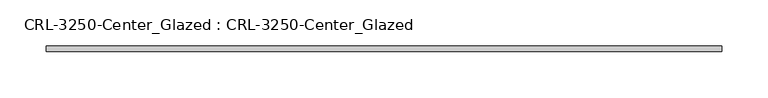
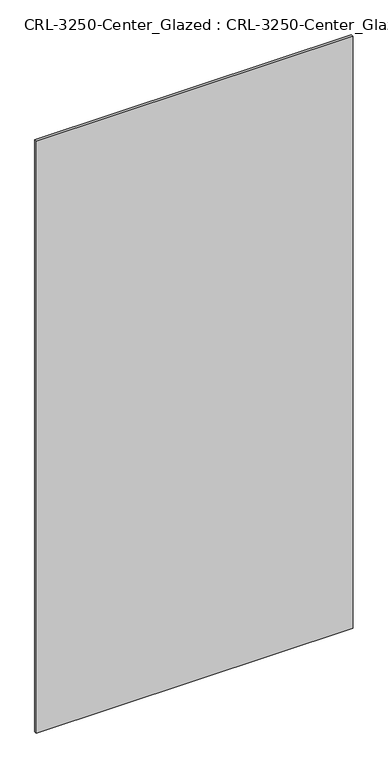
"""IFC4 building model written with IfcOpenShell, lengths in millimetres: plate geometry, CRL-3250-Center_Glazed : CRL-3250-Center_Glazed."""

from ifc_helpers import new_model, si_unit, origin, origin_with_axes, place, context, project, spatial, polyline, outline, extrude, source, transform, mapped, element, save


def crl_3250_center_glazed_crl_3250_center_glazed_e73cf226(model_context):
    return source(origin(), model_context, "Body", "SweptSolid", [
        extrude(outline(polyline([(366.7130886, 3.1749999), (366.7130886, -3.1749999), (-366.7130886, -3.1749999), (-366.7130886, 3.1749999), (366.7130886, 3.1749999)])), origin_with_axes(), (0.0, 0.0, 1.0), 1447.800003),
    ])


if __name__ == "__main__":
    model = new_model("IFC4")
    model_context = context("Model", 3, world=origin())
    ifc_project = project(units=[si_unit("LENGTHUNIT", "METRE", prefix="MILLI")], contexts=[model_context])
    site = spatial("IfcSite", under=ifc_project)
    building = spatial("IfcBuilding", under=site)
    placement = place(None, origin())
    crl_3250_center_glazed_crl_3250_center_glazed_shape = crl_3250_center_glazed_crl_3250_center_glazed_e73cf226(model_context)
    element("IfcPlate", 1, ObjectType="CRL-3250-Center_Glazed : CRL-3250-Center_Glazed", at=placement, inside=building, context=model_context, shape_type="MappedRepresentation", body=[
        mapped(crl_3250_center_glazed_crl_3250_center_glazed_shape, transform((0.0, 0.0, 0.0), x_axis=(1.0, 0.0, 0.0), y_axis=(0.0, 1.0, 0.0), z_axis=(0.0, 0.0, 1.0))),
    ])
    save(model, "model.ifc")
